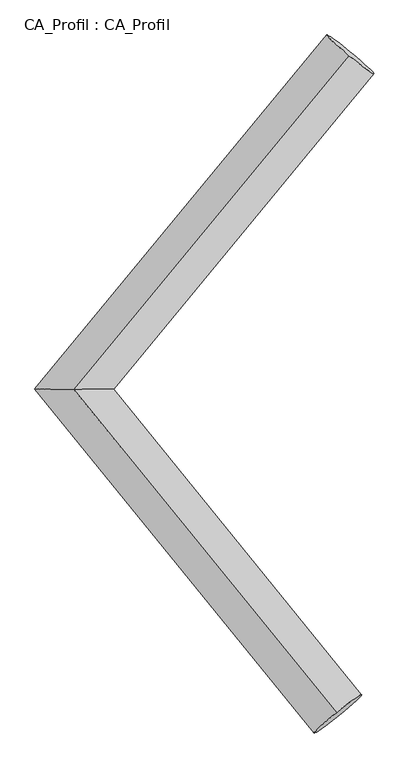
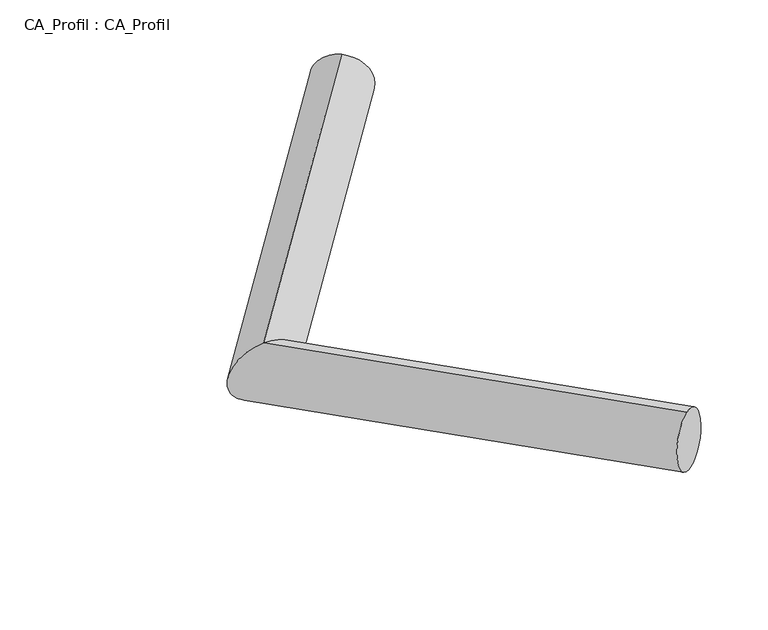
"""IFC4 building model written with IfcOpenShell, lengths in millimetres: plate geometry, CA_Profil : CA_Profil."""

import ifcopenshell
import ifcopenshell.guid

model = None  # the IFC model being written
_history = None  # IfcOwnerHistory: only IFC2X3 demands one
_inside = {}  # id of a spatial element -> (the spatial element, [elements in it])
_under = {}  # id of a project, library or spatial element -> (it, [spatial elements below it])
_declared = {}  # id of a project -> (the project, [libraries it declares])
_typed = {}  # id of a type object -> (the type object, [elements of that type])
_made_of = {}  # id of a material, layer set ... -> (it, [elements and type objects made of it])


def new_model(schema):
    """Start an empty IFC model of exactly this schema.

    Asked for "IFC4X3", IfcOpenShell would pick the latest addendum, in which some entities
    have other attributes; the version numbers below select the first issue.
    IFC2X3 requires an IfcOwnerHistory on every rooted entity: one is made here for all.
    """
    global model, _history
    if schema == "IFC4X3":
        model = ifcopenshell.file(schema_version=(4, 3, 0, 0))
    else:
        model = ifcopenshell.file(schema=schema)
    _inside.clear()
    _under.clear()
    _declared.clear()
    _typed.clear()
    _made_of.clear()
    _history = None
    if model.schema == "IFC2X3":
        org = make("IfcOrganization", Name="unknown")
        user = make(
            "IfcPersonAndOrganization",
            ThePerson=make("IfcPerson", FamilyName="unknown"),
            TheOrganization=org,
        )
        app = make(
            "IfcApplication",
            ApplicationDeveloper=org,
            Version="unknown",
            ApplicationFullName="unknown",
            ApplicationIdentifier="unknown",
        )
        _history = make(
            "IfcOwnerHistory",
            OwningUser=user,
            OwningApplication=app,
            ChangeAction="ADDED",
            CreationDate=0,
        )
    return model


def make(cls, **values):
    """One entity of the class cls with the attributes given. An attribute that is None is left unset."""
    return model.create_entity(
        cls, **{name: value for name, value in values.items() if value is not None}
    )


def rooted(cls, **values):
    """An entity with a GlobalId (a new one), such as an element, a storey or a relation."""
    return make(cls, GlobalId=ifcopenshell.guid.new(), OwnerHistory=_history, **values)


def si_unit(unit_type, name, prefix=None):
    """IfcSIUnit, for example si_unit("LENGTHUNIT", "METRE", prefix="MILLI")."""
    return make("IfcSIUnit", UnitType=unit_type, Prefix=prefix, Name=name)


def assignment(units):
    """IfcUnitAssignment: the units of a project."""
    return None if units is None else make("IfcUnitAssignment", Units=units)


def point(xyz):
    """IfcCartesianPoint."""
    return None if xyz is None else make("IfcCartesianPoint", Coordinates=xyz)


def direction(xyz):
    """IfcDirection."""
    return None if xyz is None else make("IfcDirection", DirectionRatios=xyz)


def frame(location, z_axis=None, x_axis=None):
    """IfcAxis2Placement3D, a coordinate frame: its origin and axes. An axis left out is left unset."""
    return make(
        "IfcAxis2Placement3D",
        Location=point(location),
        Axis=direction(z_axis),
        RefDirection=direction(x_axis),
    )


def origin():
    """The frame at (0, 0, 0) with its axes left unset."""
    return frame((0.0, 0.0, 0.0))


def place(relative_to, where):
    """IfcLocalPlacement: puts the frame where relative to a parent placement (None: the world)."""
    return make(
        "IfcLocalPlacement", PlacementRelTo=relative_to, RelativePlacement=where
    )


def context(
    kind, dimensions, precision=None, world=None, true_north=None, identifier=None
):
    """IfcGeometricRepresentationContext, for example the 3D "Model" context."""
    return make(
        "IfcGeometricRepresentationContext",
        ContextIdentifier=identifier,
        ContextType=kind,
        CoordinateSpaceDimension=dimensions,
        Precision=precision,
        WorldCoordinateSystem=world,
        TrueNorth=true_north,
    )


def project(units=None, contexts=None):
    """IfcProject with its units and contexts."""
    return rooted(
        "IfcProject",
        Name="project",
        RepresentationContexts=contexts,
        UnitsInContext=assignment(units),
    )


def spatial(cls, under=None, at=None, **own):
    """A site, building, storey or space (cls), placed at a placement, below another one or the project."""
    s = rooted(cls, ObjectPlacement=at, **own)
    if under is not None:
        _under.setdefault(under.id(), (under, []))[1].append(s)
    return s


def circle_curve(where, radius):
    """IfcCircle in the frame where."""
    return make("IfcCircle", Position=where, Radius=radius)


def ellipse_curve(where, semi_axis1, semi_axis2):
    """IfcEllipse in the frame where."""
    return make(
        "IfcEllipse", Position=where, SemiAxis1=semi_axis1, SemiAxis2=semi_axis2
    )


def shape(context_of_items, identifier, shape_type, items):
    """IfcShapeRepresentation: the items that make up one representation, for example the "Body"."""
    return make(
        "IfcShapeRepresentation",
        ContextOfItems=context_of_items,
        RepresentationIdentifier=identifier,
        RepresentationType=shape_type,
        Items=items,
    )


def source(mapping_origin, context_of_items, identifier, shape_type, items):
    """IfcRepresentationMap: a shape defined once, which mapped items show again and again."""
    return make(
        "IfcRepresentationMap",
        MappingOrigin=mapping_origin,
        MappedRepresentation=shape(context_of_items, identifier, shape_type, items),
    )


def transform(
    local_origin,
    x_axis=None,
    y_axis=None,
    z_axis=None,
    scale=None,
    scale2=None,
    scale3=None,
    uniform=True,
):
    """IfcCartesianTransformationOperator3D, or its non-uniform kind. x_axis, y_axis, z_axis: its Axis1, 2, 3."""
    if uniform:
        return make(
            "IfcCartesianTransformationOperator3D",
            Axis1=direction(x_axis),
            Axis2=direction(y_axis),
            LocalOrigin=point(local_origin),
            Scale=scale,
            Axis3=direction(z_axis),
        )
    return make(
        "IfcCartesianTransformationOperator3DnonUniform",
        Axis1=direction(x_axis),
        Axis2=direction(y_axis),
        LocalOrigin=point(local_origin),
        Scale=scale,
        Axis3=direction(z_axis),
        Scale2=scale2,
        Scale3=scale3,
    )


def mapped(mapping_source, mapping_target):
    """IfcMappedItem: shows the shape of a source again, moved by a transform."""
    return make(
        "IfcMappedItem", MappingSource=mapping_source, MappingTarget=mapping_target
    )


def made_of(thing, what):
    """Note that an element or type object is made of a material, layer set ...; save() writes the relation."""
    if what is not None:
        _made_of.setdefault(what.id(), (what, []))[1].append(thing)
    return thing


def element(
    cls,
    number,
    at=None,
    inside=None,
    cuts=None,
    type_object=None,
    material=None,
    context=None,
    identifier="Body",
    shape_type=None,
    held_by="IfcProductDefinitionShape",
    body=None,
    shapes=None,
    **own,
):
    """One element of the class cls, such as IfcWall. Its Tag is "e" and its number.

    at: its placement. inside: the storey or other place that contains it. cuts: it is an
    opening in that element (IfcRelVoidsElement). A single representation is given by context,
    identifier, shape_type and body (its items); several are given by shapes. held_by: the class
    of the entity that holds the representations. save() writes the other relations.
    """
    e = rooted(cls, Tag="e%d" % number, ObjectPlacement=at, **own)
    if body is not None:
        shapes = [shape(context, identifier, shape_type, body)]
    if shapes is not None:
        e.Representation = make(held_by, Representations=shapes)
    if inside is not None:
        _inside.setdefault(inside.id(), (inside, []))[1].append(e)
    if cuts is not None:
        rooted(
            "IfcRelVoidsElement", RelatingBuildingElement=cuts, RelatedOpeningElement=e
        )
    if type_object is not None:
        _typed.setdefault(type_object.id(), (type_object, []))[1].append(e)
    return made_of(e, material)


def aggregate(whole, parts):
    """IfcRelAggregates: a whole, such as a stair, and the parts it consists of."""
    return rooted("IfcRelAggregates", RelatingObject=whole, RelatedObjects=parts)


def save(model, path):
    """Write the relations noted so far, then the file.

    IfcRelAggregates (storeys below a building ...), IfcRelContainedInSpatialStructure (elements
    in a storey), IfcRelDefinesByType, IfcRelAssociatesMaterial and IfcRelDeclares: one each for
    every whole, place, type object, material and project.
    """
    for whole, parts in _under.values():
        aggregate(whole, parts)
    for where, things in _inside.values():
        rooted(
            "IfcRelContainedInSpatialStructure",
            RelatedElements=things,
            RelatingStructure=where,
        )
    for kind, things in _typed.values():
        rooted("IfcRelDefinesByType", RelatedObjects=things, RelatingType=kind)
    for what, things in _made_of.values():
        rooted("IfcRelAssociatesMaterial", RelatedObjects=things, RelatingMaterial=what)
    for by, libraries in _declared.values():
        rooted("IfcRelDeclares", RelatingContext=by, RelatedDefinitions=libraries)
    model.write(path)


def plane_surface(at):
    """IfcPlane: the flat surface through the origin of the frame at, square to its z axis."""
    return make("IfcPlane", Position=at)


def cylinder_surface(at, radius):
    """IfcCylindricalSurface: all points at the distance radius from the z axis of the frame at."""
    return make("IfcCylindricalSurface", Position=at, Radius=radius)


def advanced_brep(points, edges, surfaces, faces):
    """IfcAdvancedBrep: a solid bounded by faces that lie on surfaces and meet in shared edges.

    An edge is (start, end): straight between two places in points (the first is 0);
    or (start, end, curve); or (start, end, curve, False) where it runs against its curve.
    A face is (place in surfaces, loops), or (place, loops, False) where it looks against
    its surface's normal. A loop lists edges by number (the first is 1), with a minus sign
    where the edge is run from its end to its start. The first loop is the outer one.
    """
    corners = [point(p) for p in points]
    vertices = [make("IfcVertexPoint", VertexGeometry=c) for c in corners]
    made = []
    for start, end, *more in edges:
        made.append(
            make(
                "IfcEdgeCurve",
                EdgeStart=vertices[start],
                EdgeEnd=vertices[end],
                EdgeGeometry=more[0] if more else make("IfcPolyline", Points=[corners[start], corners[end]]),
                SameSense=more[1] if len(more) > 1 else True,
            )
        )
    hull = []
    for where, loops, *sense in faces:
        bounds = []
        for j, loop in enumerate(loops):
            ring = [make("IfcOrientedEdge", EdgeElement=made[abs(k) - 1], Orientation=k > 0) for k in loop]
            bounds.append(
                make(
                    "IfcFaceOuterBound" if j == 0 else "IfcFaceBound",
                    Bound=make("IfcEdgeLoop", EdgeList=ring),
                    Orientation=True,
                )
            )
        hull.append(make("IfcAdvancedFace", Bounds=bounds, FaceSurface=surfaces[where], SameSense=sense[0] if sense else True))
    return make("IfcAdvancedBrep", Outer=make("IfcClosedShell", CfsFaces=hull))


def ca_profil_ca_profil_595d9ae7(model_context):
    return source(origin(), model_context, "Body", "AdvancedBrep", [
        advanced_brep(
        [(6159.1085867, 8854.1464565, -146.7147523), (6136.6330391, 8834.7319905, 352.4023966), (3884.1791719, 6095.3259229, -356.4677372), (3878.8245261, 6096.6740771, 144.2279926), (6056.8639777, 3420.0021998, -140.1074378), (6034.5483442, 3442.2351749, 358.8992829)],
        [
            (0, 1, circle_curve(frame((6147.8708129, 8844.4392235, 102.8438222), z_axis=(0.6351085834218898, 0.7701999849260512, 0.05855826571672995), x_axis=(-0.044951095223446265, -0.038828931999699466, 0.9982342976866581)), 250.0)),
            (1, 0, circle_curve(frame((6147.8708129, 8844.4392235, 102.8438222), z_axis=(0.6351085834218898, 0.7701999849260512, 0.05855826571672995), x_axis=(-0.044951095223446265, -0.038828931999699466, 0.9982342976866581)), 250.0)),
            (0, 2),
            (2, 3, ellipse_curve(frame((3881.501849, 6096.0, -106.1198723), z_axis=(0.0038396682706645056, 0.9999891132689848, -0.002651469607787005), x_axis=(0.995429126959048, -0.0035691096622539518, 0.09543644302763302)), 323.6350939, 250.0)),
            (3, 1),
            (3, 2, ellipse_curve(frame((3881.501849, 6096.0, -106.1198723), z_axis=(0.0038396682706645056, 0.9999891132689848, -0.002651469607787005), x_axis=(0.995429126959048, -0.0035691096622539518, 0.09543644302763302)), 323.6350939, 250.0)),
            (4, 5, circle_curve(frame((6045.7061609, 3431.1186874, 109.3959225), z_axis=(0.6291764883818943, -0.7747330771808489, 0.06265465337324226), x_axis=(-0.04463126702553195, 0.04446595013222961, 0.9980134414337984)), 250.0)),
            (5, 4, circle_curve(frame((6045.7061609, 3431.1186874, 109.3959225), z_axis=(0.6291764883818943, -0.7747330771808489, 0.06265465337324226), x_axis=(-0.04463126702553195, 0.04446595013222961, 0.9980134414337984)), 250.0)),
            (2, 4),
            (5, 3),
        ],
        [
            plane_surface(frame((6147.8708129, 8863.392011, -146.4367263), z_axis=(0.6351085834218886, 0.7701999849260521, 0.05855826571672942), x_axis=(0.7724228681647392, -0.633280864068901, -0.04814831191541459))),
            cylinder_surface(frame((6147.8708129, 8844.4392235, 102.8438222), z_axis=(0.6351085834218898, 0.7701999849260512, 0.05855826571672995), x_axis=(-0.044951095223446265, -0.038828931999699466, 0.9982342976866581)), 250.0),
            plane_surface(frame((6045.7061609, 3410.9663399, -139.7905195), z_axis=(0.6291764883818948, -0.7747330771808485, 0.06265465337324268), x_axis=(0.7772624694833964, 0.6271290021991192, -0.05071753279990764))),
            cylinder_surface(frame((3881.501849, 6096.0, -106.1198723), z_axis=(-0.6291764883818942, 0.7747330771808487, -0.06265465337324225), x_axis=(-0.04463126702553195, 0.04446595013222961, 0.9980134414337984)), 250.0),
        ],
        [
            (0, [[1, 2]]),
            (1, [[-1, 3, 4, 5]]),
            (1, [[-2, -5, 6, -3]]),
            (2, [[7, 8]]),
            (3, [[-4, 9, -8, 10]]),
            (3, [[-6, -10, -7, -9]]),
        ],
    ),
    ])


if __name__ == "__main__":
    model = new_model("IFC4")
    model_context = context("Model", 3, world=origin())
    ifc_project = project(units=[si_unit("LENGTHUNIT", "METRE", prefix="MILLI")], contexts=[model_context])
    site = spatial("IfcSite", under=ifc_project)
    building = spatial("IfcBuilding", under=site)
    placement = place(None, origin())
    ca_profil_ca_profil_shape = ca_profil_ca_profil_595d9ae7(model_context)
    element("IfcPlate", 1, ObjectType="CA_Profil : CA_Profil", at=placement, inside=building, context=model_context, shape_type="MappedRepresentation", body=[
        mapped(ca_profil_ca_profil_shape, transform((0.0, 0.0, 0.0), x_axis=(1.0, 0.0, 0.0), y_axis=(0.0, 1.0, 0.0), z_axis=(0.0, 0.0, 1.0))),
    ])
    save(model, "model.ifc")
